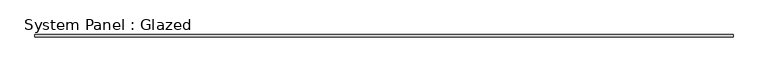
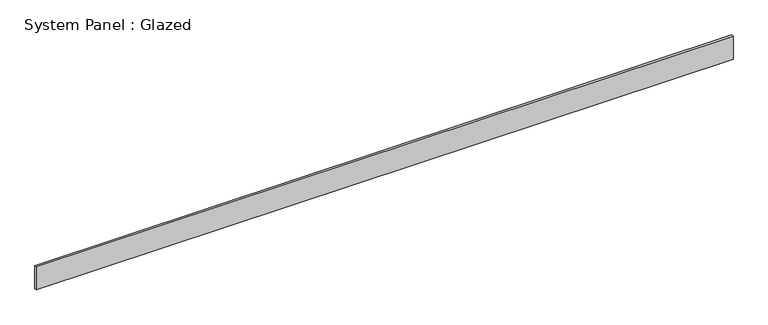
"""IFC4 building model written with IfcOpenShell, lengths in millimetres: plate geometry, System Panel : Glazed."""

from ifc_helpers import new_model, si_unit, origin, origin_with_axes, place, context, project, spatial, polyline, outline, extrude, source, transform, mapped, element, save


def system_panel_glazed_2c4bc392(model_context):
    return source(origin(), model_context, "Body", "SweptSolid", [
        extrude(outline(polyline([(4000.5, 19.05), (-4000.5, 19.05), (-4000.5, 44.45), (4000.5, 44.45), (4000.5, 19.05)])), origin_with_axes(), (0.0, 0.0, 1.0), 279.4),
    ])


if __name__ == "__main__":
    model = new_model("IFC4")
    model_context = context("Model", 3, world=origin())
    ifc_project = project(units=[si_unit("LENGTHUNIT", "METRE", prefix="MILLI")], contexts=[model_context])
    site = spatial("IfcSite", under=ifc_project)
    building = spatial("IfcBuilding", under=site)
    placement = place(None, origin())
    system_panel_glazed_shape = system_panel_glazed_2c4bc392(model_context)
    element("IfcPlate", 1, ObjectType="System Panel : Glazed", at=placement, inside=building, context=model_context, shape_type="MappedRepresentation", body=[
        mapped(system_panel_glazed_shape, transform((0.0, 0.0, 0.0), x_axis=(1.0, 0.0, 0.0), y_axis=(0.0, 1.0, 0.0), z_axis=(0.0, 0.0, 1.0))),
    ])
    save(model, "model.ifc")
